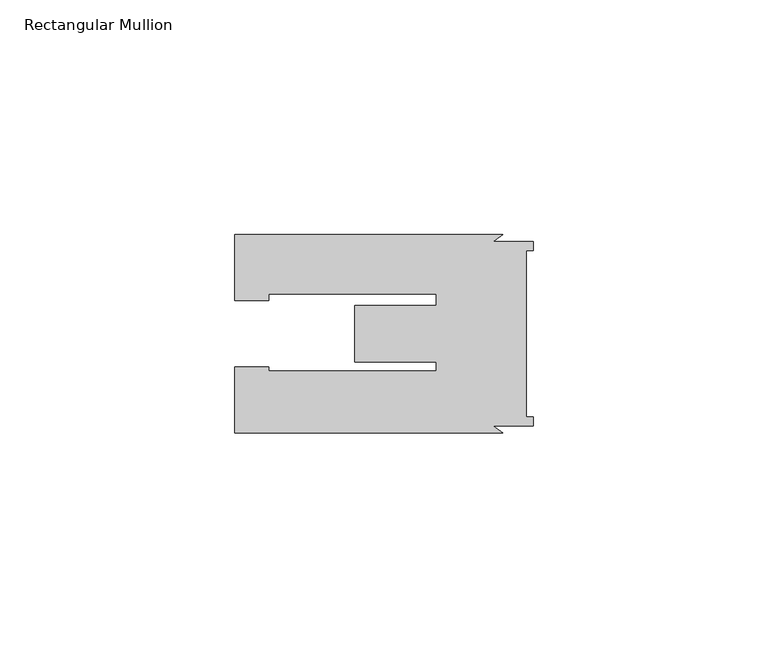
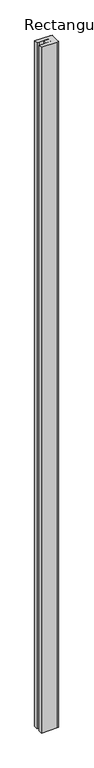
"""IFC4 building model written with IfcOpenShell, lengths in millimetres: member geometry, Rectangular Mullion."""

from ifc_helpers import new_model, si_unit, frame, origin, place, context, project, spatial, polyline, outline, extrude, source, transform, mapped, element, save


def rectangular_mullion_0d5fb90b(model_context):
    return source(origin(), model_context, "Body", "SweptSolid", [
        extrude(outline(polyline([(-8.49808, -19.5998194), (-6.5075127, -21.0998194), (-63.5000904, -21.0998194), (-63.5000904, -7.1002443), (-56.3000904, -7.1002443), (-56.3000904, -7.9321779), (-20.6741363, -7.9321779), (-20.6741363, -5.9999784), (-38.0, -5.9999784), (-38.0, 6.0000216), (-20.6741363, 6.0000216), (-20.6741363, 8.4998194), (-56.3000904, 8.4998194), (-56.3000904, 7.100122), (-63.5000904, 7.100122), (-63.5000904, 21.0998194), (-6.5009095, 21.0998194), (-8.4914767, 19.5998194), (0.0, 19.5998194), (0.0, 17.7682343), (-1.5, 17.7682343), (-1.5, -17.7682343), (0.0, -17.7682343), (0.0, -19.5998194), (-8.49808, -19.5998194)])), frame((0.0, 0.0, -2623.1998193), z_axis=(0.0, 0.0, 1.0), x_axis=(1.0, 0.0, 0.0)), (0.0, 0.0, 1.0), 2623.1998193),
    ])


if __name__ == "__main__":
    model = new_model("IFC4")
    model_context = context("Model", 3, world=origin())
    ifc_project = project(units=[si_unit("LENGTHUNIT", "METRE", prefix="MILLI")], contexts=[model_context])
    site = spatial("IfcSite", under=ifc_project)
    building = spatial("IfcBuilding", under=site)
    placement = place(None, origin())
    rectangular_mullion_shape = rectangular_mullion_0d5fb90b(model_context)
    element("IfcMember", 1, ObjectType="Rectangular Mullion", at=placement, inside=building, context=model_context, shape_type="MappedRepresentation", body=[
        mapped(rectangular_mullion_shape, transform((0.0, 0.0, 0.0), x_axis=(1.0, 0.0, 0.0), y_axis=(0.0, 1.0, 0.0), z_axis=(0.0, 0.0, 1.0))),
    ])
    save(model, "model.ifc")
